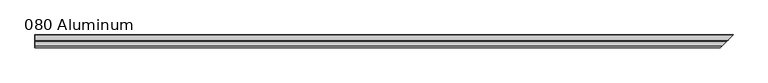
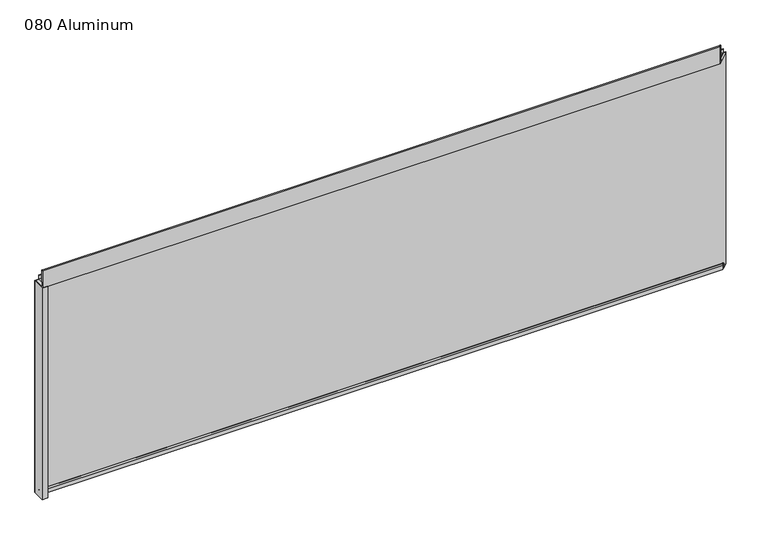
"""IFC4 building model written with IfcOpenShell, lengths in millimetres: plate geometry, 080 Aluminum."""

from ifc_helpers import new_model, si_unit, frame, origin, origin_with_axes, place, context, project, spatial, polyline, circle_curve, ellipse_curve, outline, extrude, source, transform, mapped, element, save
from ifc_brep_helpers import plane_surface, cylinder_surface, revolved_surface, advanced_brep


def plate_080_aluminum_1f254784(model_context):
    return source(origin(), model_context, "Body", "SolidModel", [
        extrude(outline(polyline([(-919.4800002, 2.5660257), (-906.5894996, 2.5660257), (-906.5894996, 1.2699999), (-920.7500001, 1.2699999), (-920.7500001, 34.7980001), (-919.4800002, 34.7980001), (-919.4800002, 2.5660257)])), origin_with_axes(), (0.0, 0.0, 1.0), 608.33),
        advanced_brep(
        [(-919.4800002, 16.6765477, 13.1458337), (-919.4800002, 23.0264743, 13.124237), (-919.4800002, 23.0264743, 1.2693678), (-919.4800002, 34.7980002, 1.2693678), (-919.4800002, 34.7980002, 0.0), (-919.4800002, 21.7564743, 0.0), (-919.4800002, 21.7564743, 13.124237), (-919.4800002, 17.9464915, 13.1323356), (-919.4800002, 17.9464915, 2.786437), (-919.4800002, 16.6765477, 2.786437), (937.4265479, 16.6765477, 2.786437), (937.4265479, 16.6765477, 13.1458337), (938.6964916, 17.9464915, 2.786437), (938.6964916, 17.9464915, 13.1323356), (942.5064744, 21.7564743, 13.124237), (942.5064744, 21.7564743, 0.0), (955.5480002, 34.7980002, 0.0), (955.5480002, 34.7980002, 1.2693678), (943.7764744, 23.0264743, 1.2693678), (943.7764744, 23.0264743, 13.124237)],
        [
            (0, 1, circle_curve(frame((-919.4800002, 19.8514743, 13.124237), z_axis=(-1.0, 0.0, 0.0), x_axis=(0.0, 0.0, -1.0)), 3.175)),
            (1, 2),
            (2, 3),
            (3, 4),
            (4, 5),
            (5, 6),
            (6, 7, circle_curve(frame((-919.4800002, 19.8514743, 13.124237), z_axis=(1.0, 0.0, 0.0), x_axis=(0.0, 0.0, -1.0)), 1.905)),
            (7, 8),
            (8, 9),
            (9, 0),
            (9, 10),
            (10, 11),
            (11, 0),
            (8, 12),
            (12, 10),
            (7, 13),
            (13, 12),
            (6, 14),
            (14, 13, ellipse_curve(frame((940.6014744, 19.8514743, 13.124237), z_axis=(0.707106781186549, -0.7071067811865461, 0.0), x_axis=(0.7071067811865459, 0.707106781186549, 0.0)), 2.6940768, 1.905)),
            (5, 15),
            (15, 14),
            (4, 16),
            (16, 15),
            (3, 17),
            (17, 16),
            (2, 18),
            (18, 17),
            (1, 19),
            (19, 18),
            (11, 19, ellipse_curve(frame((940.6014744, 19.8514743, 13.124237), z_axis=(-0.707106781186549, 0.7071067811865461, 0.0), x_axis=(-0.7071067811865459, -0.707106781186549, 0.0)), 4.4901281, 3.175)),
        ],
        [
            plane_surface(frame((-919.4800002, 36.068, 0.0), z_axis=(-1.0, 0.0, 0.0), x_axis=(0.0, 0.0, 1.0))),
            plane_surface(frame((-919.4800002, 16.6765477, 13.1458337), z_axis=(0.0, -1.0, 0.0), x_axis=(1.0, 0.0, 0.0))),
            plane_surface(frame((-919.4800002, 16.6765477, 2.786437), z_axis=(0.0, 0.0, -1.0), x_axis=(1.0, 0.0, 0.0))),
            plane_surface(frame((-919.4800002, 17.9464915, 2.786437), z_axis=(0.0, 1.0, 0.0), x_axis=(1.0, 0.0, 0.0))),
            revolved_surface(polyline([(942.5064743999999, 19.8514743, 11.219237000000001), (-919.4800002, 19.8514743, 11.219237000000001)]), (-919.4800002, 19.8514743, 13.124237), (1.0, 0.0, 0.0)),
            plane_surface(frame((-919.4800002, 21.7564743, 13.124237), z_axis=(0.0, -1.0, 0.0), x_axis=(1.0, 0.0, 0.0))),
            plane_surface(frame((-919.4800002, 21.7564743, 0.0), z_axis=(0.0, 0.0, -1.0), x_axis=(1.0, 0.0, 0.0))),
            plane_surface(frame((-919.4800002, 34.7980002, 0.0), z_axis=(0.0, 1.0, 0.0), x_axis=(1.0, 0.0, 0.0))),
            plane_surface(frame((-919.4800002, 34.7980002, 1.2693678), z_axis=(0.0, 0.0, 1.0), x_axis=(1.0, 0.0, 0.0))),
            plane_surface(frame((-919.4800002, 23.0264743, 1.2693678), z_axis=(0.0, 1.0, 0.0), x_axis=(1.0, 0.0, 0.0))),
            cylinder_surface(frame((-919.4800002, 19.8514743, 13.124237), z_axis=(-1.0, 0.0, 0.0), x_axis=(0.0, 0.0, -1.0)), 3.175),
            plane_surface(frame((920.7500002, 0.0, 795.4549971), z_axis=(0.707106781186549, -0.7071067811865461, 0.0), x_axis=(0.0, 0.0, -1.0))),
        ],
        [
            (0, [[1, 2, 3, 4, 5, 6, 7, 8, 9, 10]]),
            (1, [[11, 12, 13, -10]]),
            (2, [[14, 15, -11, -9]]),
            (3, [[16, 17, -14, -8]]),
            (4, [[18, 19, -16, -7]]),
            (5, [[20, 21, -18, -6]]),
            (6, [[22, 23, -20, -5]]),
            (7, [[24, 25, -22, -4]]),
            (8, [[26, 27, -24, -3]]),
            (9, [[28, 29, -26, -2]]),
            (10, [[-13, 30, -28, -1]]),
            (11, [[-15, -17, -19, -21, -23, -25, -27, -29, -30, -12]]),
        ],
    ),
        advanced_brep(
        [(-919.4800002, 2.0574743, 656.7932001), (-919.4800002, 5.3594742, 656.7932001), (-919.4800002, 5.3594742, 623.57), (-919.4800002, 19.2164743, 623.57), (-919.4800002, 19.2164743, 633.6538), (-919.4800002, 20.4864742, 633.6538), (-919.4800002, 20.4864742, 622.3), (-919.4800002, 4.0894742, 622.3), (-919.4800002, 4.0894742, 656.7932001), (-919.4800002, 3.3274743, 656.7932001), (-919.4800002, 3.3274743, 609.6000001), (-919.4800002, 34.7980002, 609.6000001), (-919.4800002, 34.7980002, 608.33), (-919.4800002, 2.0574743, 608.33), (922.8074744, 2.0574743, 608.33), (922.8074744, 2.0574743, 656.7932001), (955.5480002, 34.7980002, 608.33), (955.5480002, 34.7980002, 609.6000001), (924.0774744, 3.3274743, 609.6000001), (924.0774744, 3.3274743, 656.7932001), (924.8394743, 4.0894742, 656.7932001), (924.8394743, 4.0894742, 622.3), (941.2364744, 20.4864742, 622.3), (941.2364744, 20.4864742, 633.6538), (939.9664745, 19.2164743, 633.6538), (939.9664745, 19.2164743, 623.57), (926.1094743, 5.3594742, 623.57), (926.1094743, 5.3594742, 656.7932001)],
        [
            (0, 1, circle_curve(frame((-919.4800002, 3.7084742, 656.7932001), z_axis=(-1.0, 0.0, 0.0), x_axis=(0.0, 0.0, -1.0)), 1.6509999)),
            (1, 2),
            (2, 3),
            (3, 4),
            (4, 5),
            (5, 6),
            (6, 7),
            (7, 8),
            (8, 9, circle_curve(frame((-919.4800002, 3.7084742, 656.7932001), z_axis=(1.0, 0.0, 0.0), x_axis=(0.0, 0.0, -1.0)), 0.3809999)),
            (9, 10),
            (10, 11),
            (11, 12),
            (12, 13),
            (13, 0),
            (13, 14),
            (14, 15),
            (15, 0),
            (12, 16),
            (16, 14),
            (11, 17),
            (17, 16),
            (10, 18),
            (18, 17),
            (9, 19),
            (19, 18),
            (8, 20),
            (20, 19, ellipse_curve(frame((924.4584744, 3.7084742, 656.7932001), z_axis=(0.707106781186549, -0.7071067811865461, 0.0), x_axis=(0.7071067811865459, 0.707106781186549, 0.0)), 0.5388153, 0.3809999)),
            (7, 21),
            (21, 20),
            (6, 22),
            (22, 21),
            (5, 23),
            (23, 22),
            (4, 24),
            (24, 23),
            (3, 25),
            (25, 24),
            (2, 26),
            (26, 25),
            (1, 27),
            (27, 26),
            (15, 27, ellipse_curve(frame((924.4584744, 3.7084742, 656.7932001), z_axis=(-0.707106781186549, 0.7071067811865461, 0.0), x_axis=(-0.7071067811865459, -0.707106781186549, 0.0)), 2.3348665, 1.6509999)),
        ],
        [
            plane_surface(frame((-919.4800002, 36.068, 609.6), z_axis=(-1.0, 0.0, 0.0), x_axis=(0.0, 0.0, 1.0))),
            plane_surface(frame((-919.4800002, 2.0574743, 656.7932001), z_axis=(0.0, -1.0, 0.0), x_axis=(1.0, 0.0, 0.0))),
            plane_surface(frame((-919.4800002, 2.0574743, 608.33), z_axis=(0.0, 0.0, -1.0), x_axis=(1.0, 0.0, 0.0))),
            plane_surface(frame((-919.4800002, 34.7980002, 608.33), z_axis=(0.0, 1.0, 0.0), x_axis=(1.0, 0.0, 0.0))),
            plane_surface(frame((-919.4800002, 34.7980002, 609.6000001), z_axis=(0.0, 0.0, 1.0), x_axis=(1.0, 0.0, 0.0))),
            plane_surface(frame((-919.4800002, 3.3274743, 609.6000001), z_axis=(0.0, 1.0, 0.0), x_axis=(1.0, 0.0, 0.0))),
            revolved_surface(polyline([(924.8394743524373, 3.7084742, 656.4122002), (-919.4800002, 3.7084742, 656.4122002)]), (-919.4800002, 3.7084742, 656.7932001), (1.0, 0.0, 0.0)),
            plane_surface(frame((-919.4800002, 4.0894742, 656.7932001), z_axis=(0.0, -1.0, 0.0), x_axis=(1.0, 0.0, 0.0))),
            plane_surface(frame((-919.4800002, 4.0894742, 622.3), z_axis=(0.0, 0.0, -1.0), x_axis=(1.0, 0.0, 0.0))),
            plane_surface(frame((-919.4800002, 20.4864742, 622.3), z_axis=(0.0, 1.0, 0.0), x_axis=(1.0, 0.0, 0.0))),
            plane_surface(frame((-919.4800002, 20.4864742, 633.6538), z_axis=(0.0, 0.0, 1.0), x_axis=(1.0, 0.0, 0.0))),
            plane_surface(frame((-919.4800002, 19.2164743, 633.6538), z_axis=(0.0, -1.0, 0.0), x_axis=(1.0, 0.0, 0.0))),
            plane_surface(frame((-919.4800002, 19.2164743, 623.57), z_axis=(0.0, 0.0, 1.0), x_axis=(1.0, 0.0, 0.0))),
            plane_surface(frame((-919.4800002, 5.3594742, 623.57), z_axis=(0.0, 1.0, 0.0), x_axis=(1.0, 0.0, 0.0))),
            cylinder_surface(frame((-919.4800002, 3.7084742, 656.7932001), z_axis=(-1.0, 0.0, 0.0), x_axis=(0.0, 0.0, -1.0)), 1.6509999),
            plane_surface(frame((920.7500002, 0.0, 795.4549971), z_axis=(0.707106781186549, -0.7071067811865461, 0.0), x_axis=(0.0, 0.0, -1.0))),
        ],
        [
            (0, [[1, 2, 3, 4, 5, 6, 7, 8, 9, 10, 11, 12, 13, 14]]),
            (1, [[15, 16, 17, -14]]),
            (2, [[18, 19, -15, -13]]),
            (3, [[20, 21, -18, -12]]),
            (4, [[22, 23, -20, -11]]),
            (5, [[24, 25, -22, -10]]),
            (6, [[26, 27, -24, -9]]),
            (7, [[28, 29, -26, -8]]),
            (8, [[30, 31, -28, -7]]),
            (9, [[32, 33, -30, -6]]),
            (10, [[34, 35, -32, -5]]),
            (11, [[36, 37, -34, -4]]),
            (12, [[38, 39, -36, -3]]),
            (13, [[40, 41, -38, -2]]),
            (14, [[-17, 42, -40, -1]]),
            (15, [[-19, -21, -23, -25, -27, -29, -31, -33, -35, -37, -39, -41, -42, -16]]),
        ],
    ),
        extrude(outline(polyline([(-920.7500002, 36.068), (956.8180002, 36.068), (955.5480002, 34.7980001), (-920.7500002, 34.7980001), (-920.7500002, 36.068)])), origin_with_axes(), (0.0, 0.0, 1.0), 609.6),
    ])


if __name__ == "__main__":
    model = new_model("IFC4")
    model_context = context("Model", 3, world=origin())
    ifc_project = project(units=[si_unit("LENGTHUNIT", "METRE", prefix="MILLI")], contexts=[model_context])
    site = spatial("IfcSite", under=ifc_project)
    building = spatial("IfcBuilding", under=site)
    placement = place(None, origin())
    plate_080_aluminum_shape = plate_080_aluminum_1f254784(model_context)
    element("IfcPlate", 1, ObjectType="080 Aluminum", at=placement, inside=building, context=model_context, shape_type="MappedRepresentation", body=[
        mapped(plate_080_aluminum_shape, transform((0.0, 0.0, 0.0), x_axis=(1.0, 0.0, 0.0), y_axis=(0.0, 1.0, 0.0), z_axis=(0.0, 0.0, 1.0))),
    ])
    save(model, "model.ifc")
